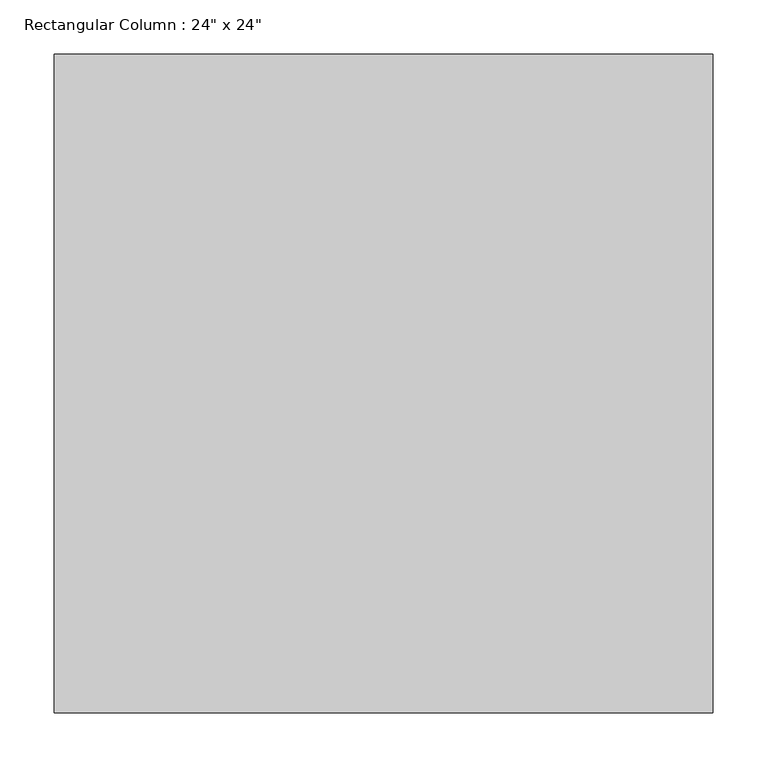
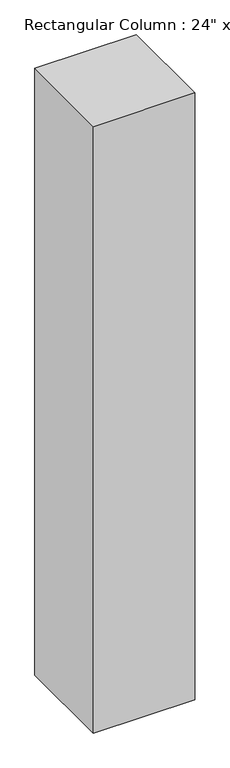
"""IFC4 building model written with IfcOpenShell, lengths in millimetres: column geometry."""

from ifc_helpers import new_model, si_unit, frame, origin, place, context, project, spatial, polyline, outline, extrude, source, transform, mapped, element, save


def column_a4dc8182(model_context):
    return source(origin(), model_context, "Body", "SweptSolid", [
        extrude(outline(polyline([(304.8, 304.8), (304.8, -304.8), (-304.8, -304.8), (-304.8, 304.8), (304.8, 304.8)])), frame((0.0, 0.0, 174396.4), z_axis=(0.0, 0.0, 1.0), x_axis=(1.0, 0.0, 0.0)), (0.0, 0.0, 1.0), 3860.8),
    ])


if __name__ == "__main__":
    model = new_model("IFC4")
    model_context = context("Model", 3, world=origin())
    ifc_project = project(units=[si_unit("LENGTHUNIT", "METRE", prefix="MILLI")], contexts=[model_context])
    site = spatial("IfcSite", under=ifc_project)
    building = spatial("IfcBuilding", under=site)
    placement = place(None, origin())
    column_shape = column_a4dc8182(model_context)
    element("IfcColumn", 1, ObjectType="Rectangular Column : 24\" x 24\"", at=placement, inside=building, context=model_context, shape_type="MappedRepresentation", body=[
        mapped(column_shape, transform((0.0, 0.0, 0.0), x_axis=(1.0, 0.0, 0.0), y_axis=(0.0, 1.0, 0.0), z_axis=(0.0, 0.0, 1.0))),
    ])
    save(model, "model.ifc")
